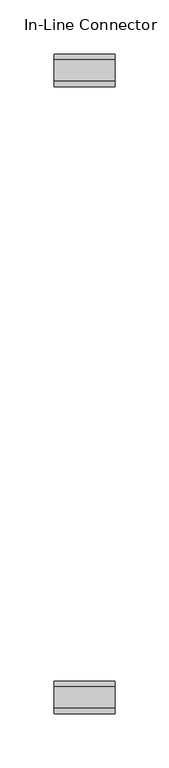
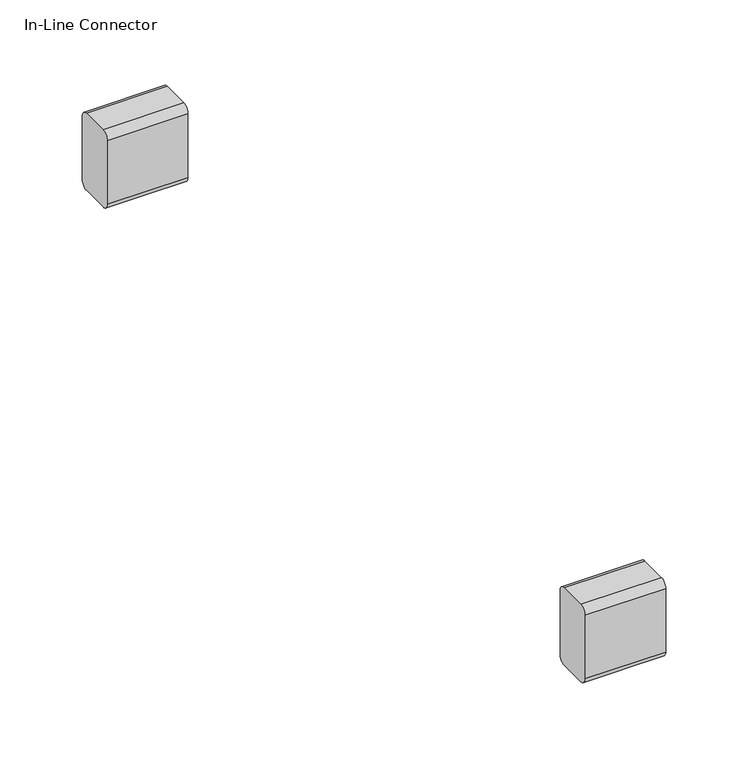
"""IFC4 building model written with IfcOpenShell, lengths in millimetres: furniture geometry, In-Line Connector."""

from ifc_helpers import new_model, si_unit, point, frame, frame_2d, origin, place, context, project, spatial, polyline, circle_curve, trimmed, segment, composite_curve, outline, extrude, source, transform, mapped, element, save


def in_line_connector_42f77765(model_context):
    return source(origin(), model_context, "Body", "SweptSolid", [
        extrude(outline(composite_curve([segment(trimmed(circle_curve(frame_2d((-127.9503459, 77.9022583)), 5.08), [point((-127.9503459, 72.8222583))], [point((-133.0303459, 77.9022261))], False, "CARTESIAN"), True, "CONTINUOUS"), segment(polyline([(-133.0303459, 77.9022261), (-133.0306449, 125.0106949)]), True, "CONTINUOUS"), segment(trimmed(circle_curve(frame_2d((-127.9506449, 125.0107271)), 5.08), [point((-133.0306449, 125.0106949))], [point((-127.9506449, 130.0907271))], False, "CARTESIAN"), True, "CONTINUOUS"), segment(polyline([(-127.9506449, 130.0907271), (-107.8287905, 130.0907271)]), True, "CONTINUOUS"), segment(trimmed(circle_curve(frame_2d((-107.8287905, 125.0107271)), 5.08), [point((-107.8287905, 130.0907271))], [point((-102.7487905, 125.0107594))], False, "CARTESIAN"), True, "CONTINUOUS"), segment(polyline([(-102.7487905, 125.0107594), (-102.7484915, 77.9022906)]), True, "CONTINUOUS"), segment(trimmed(circle_curve(frame_2d((-107.8284915, 77.9022583)), 5.08), [point((-102.7484915, 77.9022906))], [point((-107.8284915, 72.8222583))], False, "CARTESIAN"), True, "CONTINUOUS"), segment(polyline([(-107.8284915, 72.8222583), (-127.9503459, 72.8222583)]), True, "CONTINUOUS")], self_intersect=False)), frame((0.0, 0.0, 0.0), z_axis=(1.0, 0.0, 0.0), x_axis=(0.0, 1.0, 0.0)), (0.0, 0.0, 1.0), 56.5501701),
        extrude(outline(composite_curve([segment(trimmed(circle_curve(frame_2d((-708.1725033, 77.9022583)), 5.08), [point((-708.1725033, 72.8222583))], [point((-713.2525033, 77.9022261))], False, "CARTESIAN"), True, "CONTINUOUS"), segment(polyline([(-713.2525033, 77.9022261), (-713.2528023, 125.0106949)]), True, "CONTINUOUS"), segment(trimmed(circle_curve(frame_2d((-708.1728023, 125.0107271)), 5.08), [point((-713.2528023, 125.0106949))], [point((-708.1728023, 130.0907271))], False, "CARTESIAN"), True, "CONTINUOUS"), segment(polyline([(-708.1728023, 130.0907271), (-688.0509479, 130.0907271)]), True, "CONTINUOUS"), segment(trimmed(circle_curve(frame_2d((-688.0509479, 125.0107271)), 5.08), [point((-688.0509479, 130.0907271))], [point((-682.9709479, 125.0107594))], False, "CARTESIAN"), True, "CONTINUOUS"), segment(polyline([(-682.9709479, 125.0107594), (-682.9706489, 77.9022906)]), True, "CONTINUOUS"), segment(trimmed(circle_curve(frame_2d((-688.0506489, 77.9022583)), 5.08), [point((-682.9706489, 77.9022906))], [point((-688.0506489, 72.8222583))], False, "CARTESIAN"), True, "CONTINUOUS"), segment(polyline([(-688.0506489, 72.8222583), (-708.1725033, 72.8222583)]), True, "CONTINUOUS")], self_intersect=False)), frame((0.0, 0.0, 0.0), z_axis=(1.0, 0.0, 0.0), x_axis=(0.0, 1.0, 0.0)), (0.0, 0.0, 1.0), 56.5501701),
    ])


if __name__ == "__main__":
    model = new_model("IFC4")
    model_context = context("Model", 3, world=origin())
    ifc_project = project(units=[si_unit("LENGTHUNIT", "METRE", prefix="MILLI")], contexts=[model_context])
    site = spatial("IfcSite", under=ifc_project)
    building = spatial("IfcBuilding", under=site)
    placement = place(None, origin())
    in_line_connector_shape = in_line_connector_42f77765(model_context)
    element("IfcFurniture", 1, ObjectType="In-Line Connector", at=placement, inside=building, context=model_context, shape_type="MappedRepresentation", body=[
        mapped(in_line_connector_shape, transform((0.0, 0.0, 0.0), x_axis=(1.0, 0.0, 0.0), y_axis=(0.0, 1.0, 0.0), z_axis=(0.0, 0.0, 1.0))),
    ])
    save(model, "model.ifc")
